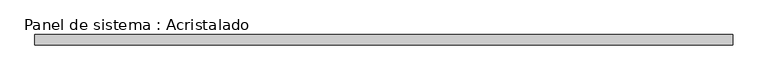
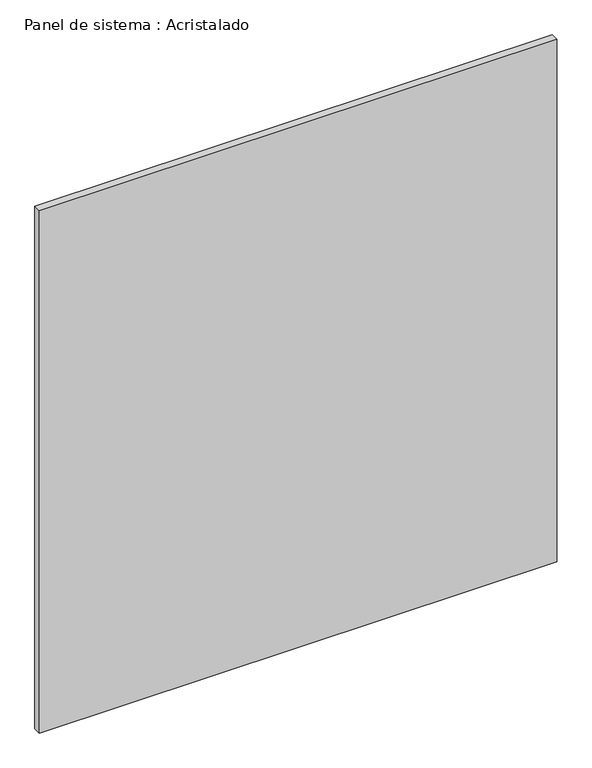
"""IFC4 building model written with IfcOpenShell, lengths in millimetres: plate geometry, Panel de sistema : Acristalado."""

from ifc_helpers import new_model, si_unit, origin, origin_with_axes, place, context, project, spatial, polyline, outline, extrude, source, transform, mapped, element, save


def panel_de_sistema_acristalado_1f1c490d(model_context):
    return source(origin(), model_context, "Body", "SweptSolid", [
        extrude(outline(polyline([(675.25, -10.0), (-675.25, -10.0), (-675.25, 10.0), (675.25, 10.0), (675.25, -10.0)])), origin_with_axes(), (0.0, 0.0, 1.0), 1441.0),
    ])


if __name__ == "__main__":
    model = new_model("IFC4")
    model_context = context("Model", 3, world=origin())
    ifc_project = project(units=[si_unit("LENGTHUNIT", "METRE", prefix="MILLI")], contexts=[model_context])
    site = spatial("IfcSite", under=ifc_project)
    building = spatial("IfcBuilding", under=site)
    placement = place(None, origin())
    panel_de_sistema_acristalado_shape = panel_de_sistema_acristalado_1f1c490d(model_context)
    element("IfcPlate", 1, ObjectType="Panel de sistema : Acristalado", at=placement, inside=building, context=model_context, shape_type="MappedRepresentation", body=[
        mapped(panel_de_sistema_acristalado_shape, transform((0.0, 0.0, 0.0), x_axis=(1.0, 0.0, 0.0), y_axis=(0.0, 1.0, 0.0), z_axis=(0.0, 0.0, 1.0))),
    ])
    save(model, "model.ifc")
